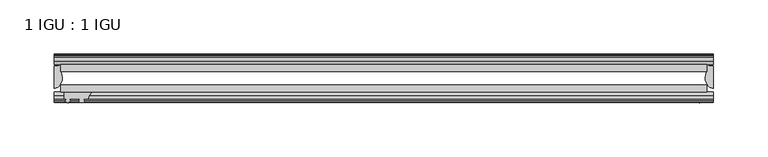
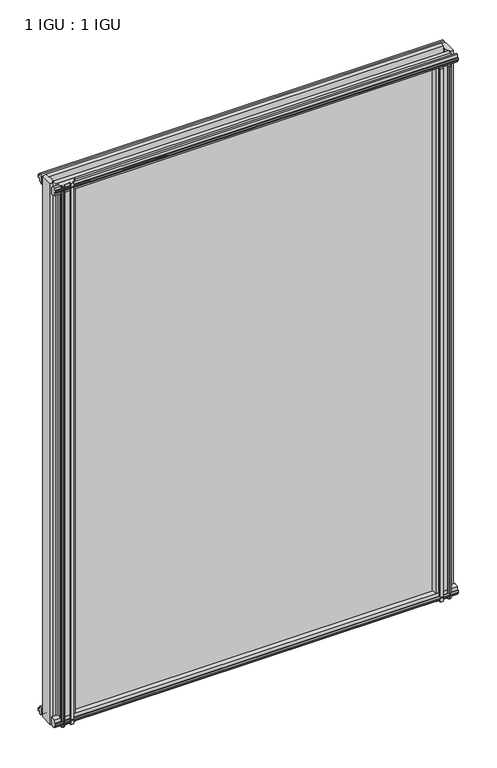
"""IFC4 building model written with IfcOpenShell, lengths in millimetres: plate geometry, 1 IGU : 1 IGU."""

from ifc_helpers import new_model, si_unit, point, frame, frame_2d, origin, place, context, project, spatial, polyline, circle_curve, ellipse_curve, trimmed, segment, composite_curve, outline, extrude, source, transform, mapped, element, save
from ifc_brep_helpers import plane_surface, cylinder_surface, revolved_surface, extruded_surface, advanced_brep


def plate_1_igu_1_igu_99a5defd(model_context):
    return source(origin(), model_context, "Body", "SolidModel", [
        extrude(outline(polyline([(-298.45, -38.6468937), (298.45, -38.6468937), (298.45, -44.9460938), (-298.45, -44.9460938), (-298.45, -38.6468937)])), frame((0.0, 0.0, -12.7), z_axis=(0.0, 0.0, 1.0), x_axis=(1.0, 0.0, 0.0)), (0.0, 0.0, 1.0), 863.5999996),
        extrude(outline(polyline([(-298.45, -19.5460937), (298.45, -19.5460937), (298.45, -25.8960938), (-298.45, -25.8960938), (-298.45, -19.5460937)])), frame((0.0, 0.0, -12.7), z_axis=(0.0, 0.0, 1.0), x_axis=(1.0, 0.0, 0.0)), (0.0, 0.0, 1.0), 863.5999996),
        advanced_brep(
        [(304.8, -21.1709383, -12.4587), (304.8, -41.5384061, -12.4587), (297.2776629, -32.2460938, -12.4587), (298.45, -25.8452938, -12.4587), (298.45, -19.5460938, -12.4587), (304.8, -21.1709383, 850.8999996), (298.45, -19.5460938, 850.8999996), (298.45, -25.8452938, 850.8999996), (297.2776629, -32.2460938, 850.8999996), (304.8, -41.5384061, 850.8999996)],
        [
            (0, 1),
            (1, 2, ellipse_curve(frame((304.8, -32.2460938, -12.4587), z_axis=(0.0, 0.0, -1.0), x_axis=(0.0, -1.0, 0.0)), 9.2923124, 7.5223371)),
            (2, 3, circle_curve(frame((315.3375763, -32.2460938, -12.4587), z_axis=(0.0, 0.0, -1.0), x_axis=(1.0, 0.0, 0.0)), 18.0599135)),
            (3, 4),
            (4, 0, circle_curve(frame((304.8, -7.950406, -12.4587), z_axis=(0.0, 0.0, 1.0), x_axis=(1.0, 0.0, 0.0)), 13.2205323)),
            (5, 6, circle_curve(frame((304.8, -7.950406, 850.8999996), z_axis=(0.0, 0.0, -1.0), x_axis=(1.0, 0.0, 0.0)), 13.2205323)),
            (6, 7),
            (7, 8, circle_curve(frame((315.3375763, -32.2460938, 850.8999996), z_axis=(0.0, 0.0, 1.0), x_axis=(1.0, 0.0, 0.0)), 18.0599135)),
            (8, 9, ellipse_curve(frame((304.8, -32.2460938, 850.8999996), z_axis=(0.0, 0.0, 1.0), x_axis=(0.0, -1.0, 0.0)), 9.2923124, 7.5223371)),
            (9, 5),
            (1, 9),
            (8, 2),
            (7, 3),
            (6, 4),
            (5, 0),
        ],
        [
            plane_surface(frame((304.8, -13.1960938, -12.4587), z_axis=(0.0, 0.0, -1.0), x_axis=(0.0, 1.0, 0.0))),
            plane_surface(frame((304.8, -13.1960938, 850.8999996), z_axis=(0.0, 0.0, 1.0), x_axis=(0.0, 1.0, 0.0))),
            extruded_surface(trimmed(ellipse_curve(frame((304.8, -32.2460938, 850.8999996), z_axis=(0.0, 0.0, -1.0), x_axis=(0.0, -1.0, 0.0)), 9.2923124, 7.5223371), [point((304.8, -41.5384061, 850.8999996))], [point((297.2776629, -32.2460938, 850.8999996))], True, "CARTESIAN"), (0.0, 0.0, -863.3586996), 863.3586996),
            cylinder_surface(frame((315.3375763, -32.2460938, -12.4587), z_axis=(0.0, 0.0, -1.0), x_axis=(1.0, 0.0, 0.0)), 18.0599135),
            plane_surface(frame((298.45, -25.8452938, -12.4587), z_axis=(-1.0, 0.0, 0.0), x_axis=(0.0, 0.0, 1.0))),
            revolved_surface(polyline([(318.0205323, -7.950406, 850.8999996), (318.0205323, -7.950406, -12.4587)]), (304.8, -7.950406, -12.4587), (0.0, 0.0, 1.0)),
            plane_surface(frame((304.8, -21.1709383, -12.4587), z_axis=(1.0, 0.0, 0.0), x_axis=(0.0, 0.0, 1.0))),
        ],
        [
            (0, [[1, 2, 3, 4, 5]]),
            (1, [[6, 7, 8, 9, 10]]),
            (2, [[-2, 11, -9, 12]]),
            (3, [[-3, -12, -8, 13]]),
            (4, [[-4, -13, -7, 14]]),
            (5, [[-5, -14, -6, 15]]),
            (6, [[-1, -15, -10, -11]]),
        ],
    ),
        advanced_brep(
        [(-304.8, -21.1706006, -12.7), (-298.4513881, -19.5461438, -12.7), (-298.4513881, -25.8549351, -12.7), (-297.2760369, -32.21431, -12.7), (-304.8, -41.5384043, -12.7), (-304.8, -21.1706006, 850.8999996), (-304.8, -41.5384043, 850.8999996), (-297.2760369, -32.21431, 850.8999996), (-298.4513881, -25.8549351, 850.8999996), (-298.4513881, -19.5461438, 850.8999996)],
        [
            (0, 1, circle_curve(frame((-304.8005694, -7.9505008, -12.7), z_axis=(0.0, 0.0, 1.0), x_axis=(1.0, 0.0, 0.0)), 13.2200998)),
            (1, 2),
            (2, 3, circle_curve(frame((-315.3384012, -32.2643264, -12.7), z_axis=(0.0, 0.0, -1.0), x_axis=(1.0, 0.0, 0.0)), 18.0624336)),
            (3, 4, ellipse_curve(frame((-304.7991671, -32.2460921, -12.7), z_axis=(0.0, 0.0, -1.0), x_axis=(0.0, -1.0, 0.0)), 9.2923123, 7.5231742)),
            (4, 0),
            (5, 6),
            (6, 7, ellipse_curve(frame((-304.7991671, -32.2460921, 850.8999996), z_axis=(0.0, 0.0, 1.0), x_axis=(0.0, -1.0, 0.0)), 9.2923123, 7.5231742)),
            (7, 8, circle_curve(frame((-315.3384012, -32.2643264, 850.8999996), z_axis=(0.0, 0.0, 1.0), x_axis=(1.0, 0.0, 0.0)), 18.0624336)),
            (8, 9),
            (9, 5, circle_curve(frame((-304.8005694, -7.9505008, 850.8999996), z_axis=(0.0, 0.0, -1.0), x_axis=(1.0, 0.0, 0.0)), 13.2200998)),
            (0, 5),
            (9, 1),
            (8, 2),
            (7, 3),
            (6, 4),
        ],
        [
            plane_surface(frame((-304.8, -13.1960937, -12.7), z_axis=(0.0, 0.0, -1.0), x_axis=(0.0, 1.0, 0.0))),
            plane_surface(frame((-304.8, -13.1960937, 850.8999996), z_axis=(0.0, 0.0, 1.0), x_axis=(0.0, 1.0, 0.0))),
            revolved_surface(polyline([(-291.58046959999996, -7.9505008, 850.8999996), (-291.58046959999996, -7.9505008, -12.7)]), (-304.8005694, -7.9505008, -12.7), (0.0, 0.0, 1.0)),
            plane_surface(frame((-298.4513881, -19.5461438, -12.7), z_axis=(1.0, 0.0, 0.0), x_axis=(0.0, 0.0, 1.0))),
            cylinder_surface(frame((-315.3384012, -32.2643264, -12.7), z_axis=(0.0, 0.0, -1.0), x_axis=(1.0, 0.0, 0.0)), 18.0624336),
            extruded_surface(trimmed(ellipse_curve(frame((-304.7991671, -32.2460921, 850.8999996), z_axis=(0.0, 0.0, -1.0), x_axis=(0.0, -1.0, 0.0)), 9.2923123, 7.5231742), [point((-297.2760369, -32.21431, 850.8999996))], [point((-304.8, -41.5384043, 850.8999996))], True, "CARTESIAN"), (0.0, 0.0, -863.5999996), 863.5999996),
            plane_surface(frame((-304.8, -41.5384043, -12.7), z_axis=(-1.0, 0.0, 0.0), x_axis=(0.0, 0.0, 1.0))),
        ],
        [
            (0, [[1, 2, 3, 4, 5]]),
            (1, [[6, 7, 8, 9, 10]]),
            (2, [[-1, 11, -10, 12]]),
            (3, [[-2, -12, -9, 13]]),
            (4, [[-3, -13, -8, 14]]),
            (5, [[-4, -14, -7, 15]]),
            (6, [[-5, -15, -6, -11]]),
        ],
    ),
        extrude(outline(polyline([(-44.9460937, 1.7177181), (-44.9460937, -9.1036578), (-48.3496937, -11.938), (-51.2960937, -11.938), (-51.2960937, -7.493), (-53.6762907, -7.112), (-53.2163575, -8.5275291), (-54.0175717, -8.5275291), (-54.7250937, -6.35), (-54.0175717, -4.1724709), (-53.2163575, -4.1724709), (-53.6762907, -5.588), (-51.2960937, -5.207), (-51.2960937, 0.0), (-44.9460937, 1.7177181)])), frame((-304.8, 0.0, 0.0), z_axis=(1.0, 0.0, 0.0), x_axis=(0.0, 1.0, 0.0)), (0.0, 0.0, 1.0), 609.6),
        extrude(outline(polyline([(-13.1960937, -12.4587), (-16.1424937, -12.4587), (-19.5460937, -9.6243578), (-19.5460937, 1.1970181), (-13.1960937, -0.5207), (-13.1960937, -5.7277), (-10.8158968, -6.1087), (-11.27583, -4.6931709), (-10.4746158, -4.6931709), (-9.7670937, -6.8707), (-10.4746158, -9.0482291), (-11.27583, -9.0482291), (-10.8158968, -7.6327), (-13.1960937, -8.0137), (-13.1960937, -12.4587)])), frame((-304.8, 0.0, 0.0), z_axis=(1.0, 0.0, 0.0), x_axis=(0.0, 1.0, 0.0)), (0.0, 0.0, 1.0), 609.6),
        extrude(outline(polyline([(-51.2960937, 850.1379996), (-48.3496937, 850.1379996), (-44.9460937, 847.3036575), (-44.9460937, 836.4822816), (-51.2960937, 838.1999996), (-51.2960937, 843.4069996), (-53.6762907, 843.7879996), (-53.2163575, 842.3724706), (-54.0175717, 842.3724706), (-54.7250937, 844.5499996), (-54.0175717, 846.7275287), (-53.2163575, 846.7275287), (-53.6762907, 845.3119996), (-51.2960937, 845.6929996), (-51.2960937, 850.1379996)])), frame((-304.8, 0.0, 0.0), z_axis=(1.0, 0.0, 0.0), x_axis=(0.0, 1.0, 0.0)), (0.0, 0.0, 1.0), 609.6),
        extrude(outline(polyline([(-19.5460937, 837.0029816), (-19.5460937, 847.8243575), (-16.1424937, 850.6586996), (-13.1960937, 850.6586996), (-13.1960937, 846.2136996), (-10.8158968, 845.8326996), (-11.27583, 847.2482287), (-10.4746158, 847.2482287), (-9.7670937, 845.0706996), (-10.4746158, 842.8931706), (-11.27583, 842.8931706), (-10.8158968, 844.3086996), (-13.1960937, 843.9276996), (-13.1960937, 838.7206996), (-19.5460937, 837.0029816)])), frame((-304.8, 0.0, 0.0), z_axis=(1.0, 0.0, 0.0), x_axis=(0.0, 1.0, 0.0)), (0.0, 0.0, 1.0), 609.6),
        extrude(outline(composite_curve([segment(polyline([(295.2750002, -44.9460938), (295.2750002, -51.2960938), (293.6240002, -51.2960938), (293.6240002, -52.9470938), (294.7016309, -52.9470938)]), True, "CONTINUOUS"), segment(trimmed(circle_curve(frame_2d((293.6240002, -52.9470938)), 1.0776307), [point((294.7016309, -52.9470938))], [point((294.3860002, -53.7090938))], False, "CARTESIAN"), True, "CONTINUOUS"), segment(polyline([(294.3860002, -53.7090938), (292.6467077, -54.8194621)]), True, "CONTINUOUS"), segment(trimmed(circle_curve(frame_2d((292.1000002, -53.9630938)), 1.016), [point((292.6467077, -54.8194621))], [point((291.5532926, -54.8194621))], False, "CARTESIAN"), True, "CONTINUOUS"), segment(polyline([(291.5532926, -54.8194621), (289.8140002, -53.7090938)]), True, "CONTINUOUS"), segment(trimmed(circle_curve(frame_2d((290.5760002, -52.9470938)), 1.0776307), [point((289.8140002, -53.7090938))], [point((289.4983694, -52.9470938))], False, "CARTESIAN"), True, "CONTINUOUS"), segment(polyline([(289.4983694, -52.9470938), (290.5760002, -52.9470938), (290.5760002, -51.2960938), (281.5082002, -51.2960938)]), True, "CONTINUOUS"), segment(trimmed(circle_curve(frame_2d((281.5082002, -51.7532938)), 0.4572), [point((281.5082002, -51.2960938))], [point((281.1693823, -52.0602698))], True, "CARTESIAN"), True, "CONTINUOUS"), segment(trimmed(circle_curve(frame_2d((279.4000002, -53.663367)), 2.3876), [point((281.1693823, -52.0602698))], [point((281.4706432, -54.8520938))], False, "CARTESIAN"), True, "CONTINUOUS"), segment(polyline([(281.4706432, -54.8520938), (277.3293572, -54.8520938)]), True, "CONTINUOUS"), segment(trimmed(circle_curve(frame_2d((279.4000002, -53.663367)), 2.3876), [point((277.3293572, -54.8520938))], [point((277.630618, -52.0602698))], False, "CARTESIAN"), True, "CONTINUOUS"), segment(trimmed(circle_curve(frame_2d((277.2918002, -51.7532938)), 0.4572), [point((277.630618, -52.0602698))], [point((277.2918002, -51.2960938))], True, "CARTESIAN"), True, "CONTINUOUS"), segment(polyline([(277.2918002, -51.2960938), (273.0500002, -51.2960938)]), True, "CONTINUOUS"), segment(trimmed(circle_curve(frame_2d((264.0340687, -51.9750196)), 9.0414579), [point((273.0500002, -51.2960938))], [point((269.7210856, -44.9460938))], True, "CARTESIAN"), True, "CONTINUOUS"), segment(polyline([(269.7210856, -44.9460938), (295.2750002, -44.9460938)]), True, "CONTINUOUS")], self_intersect=False)), frame((0.0, 0.0, -12.7), z_axis=(0.0, 0.0, 1.0), x_axis=(1.0, 0.0, 0.0)), (0.0, 0.0, 1.0), 850.8999996),
        extrude(outline(composite_curve([segment(trimmed(circle_curve(frame_2d((-264.0340687, -51.9750196)), 9.0414579), [point((-269.7210856, -44.9460938))], [point((-273.0500002, -51.2960938))], True, "CARTESIAN"), True, "CONTINUOUS"), segment(polyline([(-273.0500002, -51.2960938), (-277.2918002, -51.2960938)]), True, "CONTINUOUS"), segment(trimmed(circle_curve(frame_2d((-277.2918002, -51.7532938)), 0.4572), [point((-277.2918002, -51.2960938))], [point((-277.630618, -52.0602698))], True, "CARTESIAN"), True, "CONTINUOUS"), segment(trimmed(circle_curve(frame_2d((-279.4000002, -53.663367)), 2.3876), [point((-277.630618, -52.0602698))], [point((-277.3293572, -54.8520938))], False, "CARTESIAN"), True, "CONTINUOUS"), segment(polyline([(-277.3293572, -54.8520938), (-281.4706432, -54.8520938)]), True, "CONTINUOUS"), segment(trimmed(circle_curve(frame_2d((-279.4000002, -53.663367)), 2.3876), [point((-281.4706432, -54.8520938))], [point((-281.1693823, -52.0602698))], False, "CARTESIAN"), True, "CONTINUOUS"), segment(trimmed(circle_curve(frame_2d((-281.5082002, -51.7532938)), 0.4572), [point((-281.1693823, -52.0602698))], [point((-281.5082002, -51.2960938))], True, "CARTESIAN"), True, "CONTINUOUS"), segment(polyline([(-281.5082002, -51.2960938), (-290.5760002, -51.2960938), (-290.5760002, -52.9470938), (-289.4983694, -52.9470938)]), True, "CONTINUOUS"), segment(trimmed(circle_curve(frame_2d((-290.5760002, -52.9470938)), 1.0776307), [point((-289.4983694, -52.9470938))], [point((-289.8140002, -53.7090938))], False, "CARTESIAN"), True, "CONTINUOUS"), segment(polyline([(-289.8140002, -53.7090938), (-291.5532926, -54.8194621)]), True, "CONTINUOUS"), segment(trimmed(circle_curve(frame_2d((-292.1000002, -53.9630938)), 1.016), [point((-291.5532926, -54.8194621))], [point((-292.6467077, -54.8194621))], False, "CARTESIAN"), True, "CONTINUOUS"), segment(polyline([(-292.6467077, -54.8194621), (-294.3860002, -53.7090938)]), True, "CONTINUOUS"), segment(trimmed(circle_curve(frame_2d((-293.6240002, -52.9470938)), 1.0776307), [point((-294.3860002, -53.7090938))], [point((-294.7016309, -52.9470938))], False, "CARTESIAN"), True, "CONTINUOUS"), segment(polyline([(-294.7016309, -52.9470938), (-293.6240002, -52.9470938), (-293.6240002, -51.2960938), (-295.2750002, -51.2960938), (-295.2750002, -44.9460938), (-269.7210856, -44.9460938)]), True, "CONTINUOUS")], self_intersect=False)), frame((0.0, 0.0, -12.7), z_axis=(0.0, 0.0, 1.0), x_axis=(1.0, 0.0, 0.0)), (0.0, 0.0, 1.0), 863.5999998),
    ])


if __name__ == "__main__":
    model = new_model("IFC4")
    model_context = context("Model", 3, world=origin())
    ifc_project = project(units=[si_unit("LENGTHUNIT", "METRE", prefix="MILLI")], contexts=[model_context])
    site = spatial("IfcSite", under=ifc_project)
    building = spatial("IfcBuilding", under=site)
    placement = place(None, origin())
    plate_1_igu_1_igu_shape = plate_1_igu_1_igu_99a5defd(model_context)
    element("IfcPlate", 1, ObjectType="1 IGU : 1 IGU", at=placement, inside=building, context=model_context, shape_type="MappedRepresentation", body=[
        mapped(plate_1_igu_1_igu_shape, transform((0.0, 0.0, 0.0), x_axis=(1.0, 0.0, 0.0), y_axis=(0.0, 1.0, 0.0), z_axis=(0.0, 0.0, 1.0))),
    ])
    save(model, "model.ifc")
